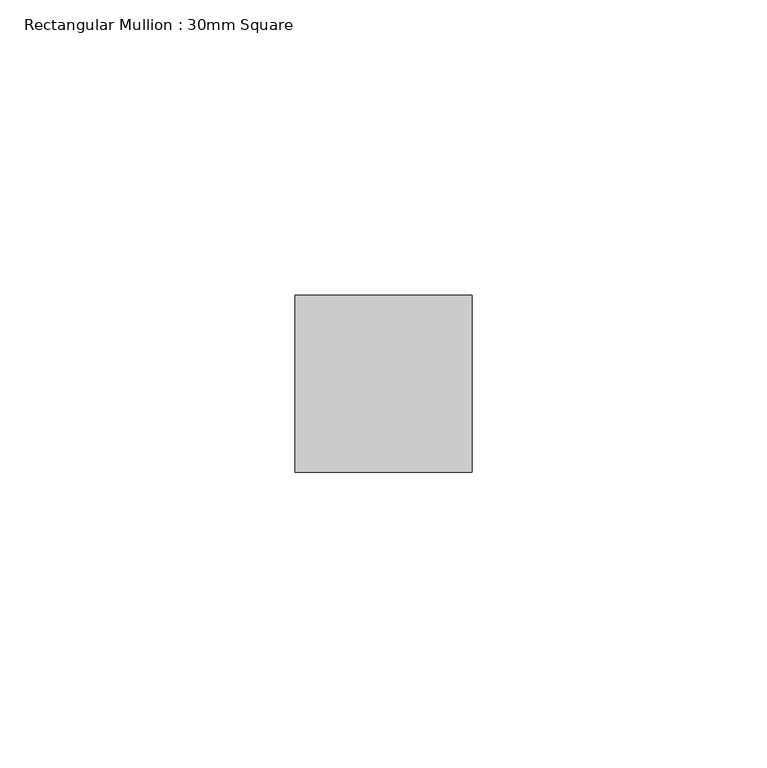
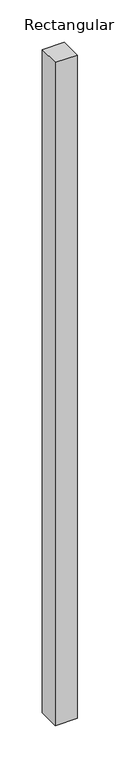
"""IFC4 building model written with IfcOpenShell, lengths in millimetres: member geometry, Rectangular Mullion : 30mm Square."""

import ifcopenshell
import ifcopenshell.guid

model = None  # the IFC model being written
_history = None  # IfcOwnerHistory: only IFC2X3 demands one
_inside = {}  # id of a spatial element -> (the spatial element, [elements in it])
_under = {}  # id of a project, library or spatial element -> (it, [spatial elements below it])
_declared = {}  # id of a project -> (the project, [libraries it declares])
_typed = {}  # id of a type object -> (the type object, [elements of that type])
_made_of = {}  # id of a material, layer set ... -> (it, [elements and type objects made of it])


def new_model(schema):
    """Start an empty IFC model of exactly this schema.

    Asked for "IFC4X3", IfcOpenShell would pick the latest addendum, in which some entities
    have other attributes; the version numbers below select the first issue.
    IFC2X3 requires an IfcOwnerHistory on every rooted entity: one is made here for all.
    """
    global model, _history
    if schema == "IFC4X3":
        model = ifcopenshell.file(schema_version=(4, 3, 0, 0))
    else:
        model = ifcopenshell.file(schema=schema)
    _inside.clear()
    _under.clear()
    _declared.clear()
    _typed.clear()
    _made_of.clear()
    _history = None
    if model.schema == "IFC2X3":
        org = make("IfcOrganization", Name="unknown")
        user = make(
            "IfcPersonAndOrganization",
            ThePerson=make("IfcPerson", FamilyName="unknown"),
            TheOrganization=org,
        )
        app = make(
            "IfcApplication",
            ApplicationDeveloper=org,
            Version="unknown",
            ApplicationFullName="unknown",
            ApplicationIdentifier="unknown",
        )
        _history = make(
            "IfcOwnerHistory",
            OwningUser=user,
            OwningApplication=app,
            ChangeAction="ADDED",
            CreationDate=0,
        )
    return model


def make(cls, **values):
    """One entity of the class cls with the attributes given. An attribute that is None is left unset."""
    return model.create_entity(
        cls, **{name: value for name, value in values.items() if value is not None}
    )


def rooted(cls, **values):
    """An entity with a GlobalId (a new one), such as an element, a storey or a relation."""
    return make(cls, GlobalId=ifcopenshell.guid.new(), OwnerHistory=_history, **values)


def si_unit(unit_type, name, prefix=None):
    """IfcSIUnit, for example si_unit("LENGTHUNIT", "METRE", prefix="MILLI")."""
    return make("IfcSIUnit", UnitType=unit_type, Prefix=prefix, Name=name)


def assignment(units):
    """IfcUnitAssignment: the units of a project."""
    return None if units is None else make("IfcUnitAssignment", Units=units)


def point(xyz):
    """IfcCartesianPoint."""
    return None if xyz is None else make("IfcCartesianPoint", Coordinates=xyz)


def direction(xyz):
    """IfcDirection."""
    return None if xyz is None else make("IfcDirection", DirectionRatios=xyz)


def frame(location, z_axis=None, x_axis=None):
    """IfcAxis2Placement3D, a coordinate frame: its origin and axes. An axis left out is left unset."""
    return make(
        "IfcAxis2Placement3D",
        Location=point(location),
        Axis=direction(z_axis),
        RefDirection=direction(x_axis),
    )


def origin():
    """The frame at (0, 0, 0) with its axes left unset."""
    return frame((0.0, 0.0, 0.0))


def place(relative_to, where):
    """IfcLocalPlacement: puts the frame where relative to a parent placement (None: the world)."""
    return make(
        "IfcLocalPlacement", PlacementRelTo=relative_to, RelativePlacement=where
    )


def context(
    kind, dimensions, precision=None, world=None, true_north=None, identifier=None
):
    """IfcGeometricRepresentationContext, for example the 3D "Model" context."""
    return make(
        "IfcGeometricRepresentationContext",
        ContextIdentifier=identifier,
        ContextType=kind,
        CoordinateSpaceDimension=dimensions,
        Precision=precision,
        WorldCoordinateSystem=world,
        TrueNorth=true_north,
    )


def project(units=None, contexts=None):
    """IfcProject with its units and contexts."""
    return rooted(
        "IfcProject",
        Name="project",
        RepresentationContexts=contexts,
        UnitsInContext=assignment(units),
    )


def spatial(cls, under=None, at=None, **own):
    """A site, building, storey or space (cls), placed at a placement, below another one or the project."""
    s = rooted(cls, ObjectPlacement=at, **own)
    if under is not None:
        _under.setdefault(under.id(), (under, []))[1].append(s)
    return s


def polyline(points):
    """IfcPolyline through the points."""
    return make("IfcPolyline", Points=[point(p) for p in points])


def outline(outer, holes=None, kind="AREA"):
    """IfcArbitraryClosedProfileDef: a profile drawn as a closed curve; with holes, ...WithVoids."""
    if holes is None:
        return make("IfcArbitraryClosedProfileDef", ProfileType=kind, OuterCurve=outer)
    return make(
        "IfcArbitraryProfileDefWithVoids",
        ProfileType=kind,
        OuterCurve=outer,
        InnerCurves=holes,
    )


def extrude(swept, where, along, depth):
    """IfcExtrudedAreaSolid: the profile swept, set in the frame where, extruded along a direction by depth."""
    return make(
        "IfcExtrudedAreaSolid",
        SweptArea=swept,
        Position=where,
        ExtrudedDirection=direction(along),
        Depth=depth,
    )


def shape(context_of_items, identifier, shape_type, items):
    """IfcShapeRepresentation: the items that make up one representation, for example the "Body"."""
    return make(
        "IfcShapeRepresentation",
        ContextOfItems=context_of_items,
        RepresentationIdentifier=identifier,
        RepresentationType=shape_type,
        Items=items,
    )


def source(mapping_origin, context_of_items, identifier, shape_type, items):
    """IfcRepresentationMap: a shape defined once, which mapped items show again and again."""
    return make(
        "IfcRepresentationMap",
        MappingOrigin=mapping_origin,
        MappedRepresentation=shape(context_of_items, identifier, shape_type, items),
    )


def transform(
    local_origin,
    x_axis=None,
    y_axis=None,
    z_axis=None,
    scale=None,
    scale2=None,
    scale3=None,
    uniform=True,
):
    """IfcCartesianTransformationOperator3D, or its non-uniform kind. x_axis, y_axis, z_axis: its Axis1, 2, 3."""
    if uniform:
        return make(
            "IfcCartesianTransformationOperator3D",
            Axis1=direction(x_axis),
            Axis2=direction(y_axis),
            LocalOrigin=point(local_origin),
            Scale=scale,
            Axis3=direction(z_axis),
        )
    return make(
        "IfcCartesianTransformationOperator3DnonUniform",
        Axis1=direction(x_axis),
        Axis2=direction(y_axis),
        LocalOrigin=point(local_origin),
        Scale=scale,
        Axis3=direction(z_axis),
        Scale2=scale2,
        Scale3=scale3,
    )


def mapped(mapping_source, mapping_target):
    """IfcMappedItem: shows the shape of a source again, moved by a transform."""
    return make(
        "IfcMappedItem", MappingSource=mapping_source, MappingTarget=mapping_target
    )


def made_of(thing, what):
    """Note that an element or type object is made of a material, layer set ...; save() writes the relation."""
    if what is not None:
        _made_of.setdefault(what.id(), (what, []))[1].append(thing)
    return thing


def element(
    cls,
    number,
    at=None,
    inside=None,
    cuts=None,
    type_object=None,
    material=None,
    context=None,
    identifier="Body",
    shape_type=None,
    held_by="IfcProductDefinitionShape",
    body=None,
    shapes=None,
    **own,
):
    """One element of the class cls, such as IfcWall. Its Tag is "e" and its number.

    at: its placement. inside: the storey or other place that contains it. cuts: it is an
    opening in that element (IfcRelVoidsElement). A single representation is given by context,
    identifier, shape_type and body (its items); several are given by shapes. held_by: the class
    of the entity that holds the representations. save() writes the other relations.
    """
    e = rooted(cls, Tag="e%d" % number, ObjectPlacement=at, **own)
    if body is not None:
        shapes = [shape(context, identifier, shape_type, body)]
    if shapes is not None:
        e.Representation = make(held_by, Representations=shapes)
    if inside is not None:
        _inside.setdefault(inside.id(), (inside, []))[1].append(e)
    if cuts is not None:
        rooted(
            "IfcRelVoidsElement", RelatingBuildingElement=cuts, RelatedOpeningElement=e
        )
    if type_object is not None:
        _typed.setdefault(type_object.id(), (type_object, []))[1].append(e)
    return made_of(e, material)


def aggregate(whole, parts):
    """IfcRelAggregates: a whole, such as a stair, and the parts it consists of."""
    return rooted("IfcRelAggregates", RelatingObject=whole, RelatedObjects=parts)


def save(model, path):
    """Write the relations noted so far, then the file.

    IfcRelAggregates (storeys below a building ...), IfcRelContainedInSpatialStructure (elements
    in a storey), IfcRelDefinesByType, IfcRelAssociatesMaterial and IfcRelDeclares: one each for
    every whole, place, type object, material and project.
    """
    for whole, parts in _under.values():
        aggregate(whole, parts)
    for where, things in _inside.values():
        rooted(
            "IfcRelContainedInSpatialStructure",
            RelatedElements=things,
            RelatingStructure=where,
        )
    for kind, things in _typed.values():
        rooted("IfcRelDefinesByType", RelatedObjects=things, RelatingType=kind)
    for what, things in _made_of.values():
        rooted("IfcRelAssociatesMaterial", RelatedObjects=things, RelatingMaterial=what)
    for by, libraries in _declared.values():
        rooted("IfcRelDeclares", RelatingContext=by, RelatedDefinitions=libraries)
    model.write(path)


def rectangular_mullion_30mm_square_e409a6c3(model_context):
    return source(origin(), model_context, "Body", "SweptSolid", [
        extrude(outline(polyline([(15.0, 15.0), (15.0, -15.0), (-15.0, -15.0), (-15.0, 15.0), (15.0, 15.0)])), frame((0.0, 0.0, -954.2373173), z_axis=(0.0, 0.0, 1.0), x_axis=(1.0, 0.0, 0.0)), (0.0, 0.0, 1.0), 954.2373173),
    ])


if __name__ == "__main__":
    model = new_model("IFC4")
    model_context = context("Model", 3, world=origin())
    ifc_project = project(units=[si_unit("LENGTHUNIT", "METRE", prefix="MILLI")], contexts=[model_context])
    site = spatial("IfcSite", under=ifc_project)
    building = spatial("IfcBuilding", under=site)
    placement = place(None, origin())
    rectangular_mullion_30mm_square_shape = rectangular_mullion_30mm_square_e409a6c3(model_context)
    element("IfcMember", 1, ObjectType="Rectangular Mullion : 30mm Square", at=placement, inside=building, context=model_context, shape_type="MappedRepresentation", body=[
        mapped(rectangular_mullion_30mm_square_shape, transform((0.0, 0.0, 0.0), x_axis=(1.0, 0.0, 0.0), y_axis=(0.0, 1.0, 0.0), z_axis=(0.0, 0.0, 1.0))),
    ])
    save(model, "model.ifc")
